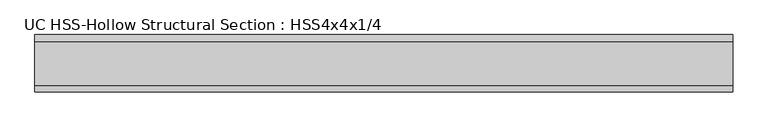
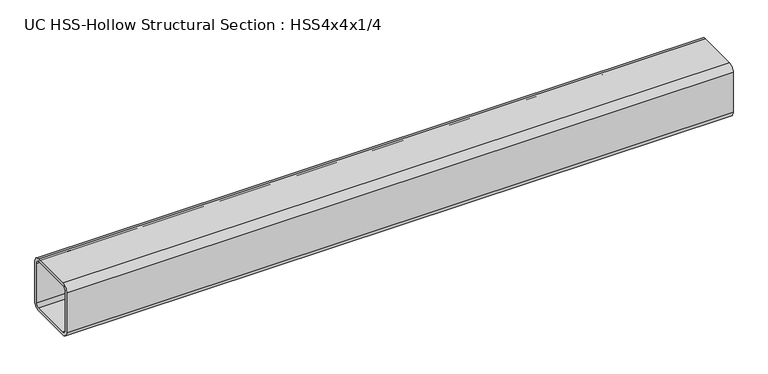
"""IFC4 building model written with IfcOpenShell, lengths in millimetres: beam geometry, UC HSS-Hollow Structural Section : HSS4x4x1/4."""

from ifc_helpers import new_model, si_unit, point, frame, frame_2d, origin, place, context, project, spatial, polyline, circle_curve, trimmed, segment, composite_curve, outline, extrude, source, transform, mapped, element, save


def uc_hss_hollow_structural_section_hss4x4x1_4_11ccf1cf(model_context):
    return source(origin(), model_context, "Body", "SweptSolid", [
        extrude(outline(composite_curve([segment(polyline([(50.8, 38.9636), (50.8, -38.9636)]), True, "CONTINUOUS"), segment(trimmed(circle_curve(frame_2d((38.9636, -38.9636)), 11.8364), [point((50.8, -38.9636))], [point((38.9636, -50.8))], False, "CARTESIAN"), True, "CONTINUOUS"), segment(polyline([(38.9636, -50.8), (-38.9636, -50.8)]), True, "CONTINUOUS"), segment(trimmed(circle_curve(frame_2d((-38.9636, -38.9636)), 11.8364), [point((-38.9636, -50.8))], [point((-50.8, -38.9636))], False, "CARTESIAN"), True, "CONTINUOUS"), segment(polyline([(-50.8, -38.9636), (-50.8, 38.9636)]), True, "CONTINUOUS"), segment(trimmed(circle_curve(frame_2d((-38.9636, 38.9636)), 11.8364), [point((-50.8, 38.9636))], [point((-38.9636, 50.8))], False, "CARTESIAN"), True, "CONTINUOUS"), segment(polyline([(-38.9636, 50.8), (38.9636, 50.8)]), True, "CONTINUOUS"), segment(trimmed(circle_curve(frame_2d((38.9636, 38.9636)), 11.8364), [point((38.9636, 50.8))], [point((50.8, 38.9636))], False, "CARTESIAN"), True, "CONTINUOUS")], self_intersect=False), holes=[composite_curve([segment(trimmed(circle_curve(frame_2d((-38.9636, 38.9636)), 5.9182), [point((-38.9636, 44.8818))], [point((-44.8818, 38.9636))], True, "CARTESIAN"), True, "CONTINUOUS"), segment(polyline([(-44.8818, 38.9636), (-44.8818, -38.9636)]), True, "CONTINUOUS"), segment(trimmed(circle_curve(frame_2d((-38.9636, -38.9636)), 5.9182), [point((-44.8818, -38.9636))], [point((-38.9636, -44.8818))], True, "CARTESIAN"), True, "CONTINUOUS"), segment(polyline([(-38.9636, -44.8818), (38.9636, -44.8818)]), True, "CONTINUOUS"), segment(trimmed(circle_curve(frame_2d((38.9636, -38.9636)), 5.9182), [point((38.9636, -44.8818))], [point((44.8818, -38.9636))], True, "CARTESIAN"), True, "CONTINUOUS"), segment(polyline([(44.8818, -38.9636), (44.8818, 38.9636)]), True, "CONTINUOUS"), segment(trimmed(circle_curve(frame_2d((38.9636, 38.9636)), 5.9182), [point((44.8818, 38.9636))], [point((38.9636, 44.8818))], True, "CARTESIAN"), True, "CONTINUOUS"), segment(polyline([(38.9636, 44.8818), (-38.9636, 44.8818)]), True, "CONTINUOUS")], self_intersect=False)]), frame((-533.4, 0.0, 0.0), z_axis=(1.0, 0.0, 0.0), x_axis=(0.0, 1.0, 0.0)), (0.0, 0.0, 1.0), 1232.2810554),
    ])


if __name__ == "__main__":
    model = new_model("IFC4")
    model_context = context("Model", 3, world=origin())
    ifc_project = project(units=[si_unit("LENGTHUNIT", "METRE", prefix="MILLI")], contexts=[model_context])
    site = spatial("IfcSite", under=ifc_project)
    building = spatial("IfcBuilding", under=site)
    placement = place(None, origin())
    uc_hss_hollow_structural_section_hss4x4x1_4_shape = uc_hss_hollow_structural_section_hss4x4x1_4_11ccf1cf(model_context)
    element("IfcBeam", 1, ObjectType="UC HSS-Hollow Structural Section : HSS4x4x1/4", at=placement, inside=building, context=model_context, shape_type="MappedRepresentation", body=[
        mapped(uc_hss_hollow_structural_section_hss4x4x1_4_shape, transform((0.0, 0.0, 0.0), x_axis=(1.0, 0.0, 0.0), y_axis=(0.0, 1.0, 0.0), z_axis=(0.0, 0.0, 1.0))),
    ])
    save(model, "model.ifc")
